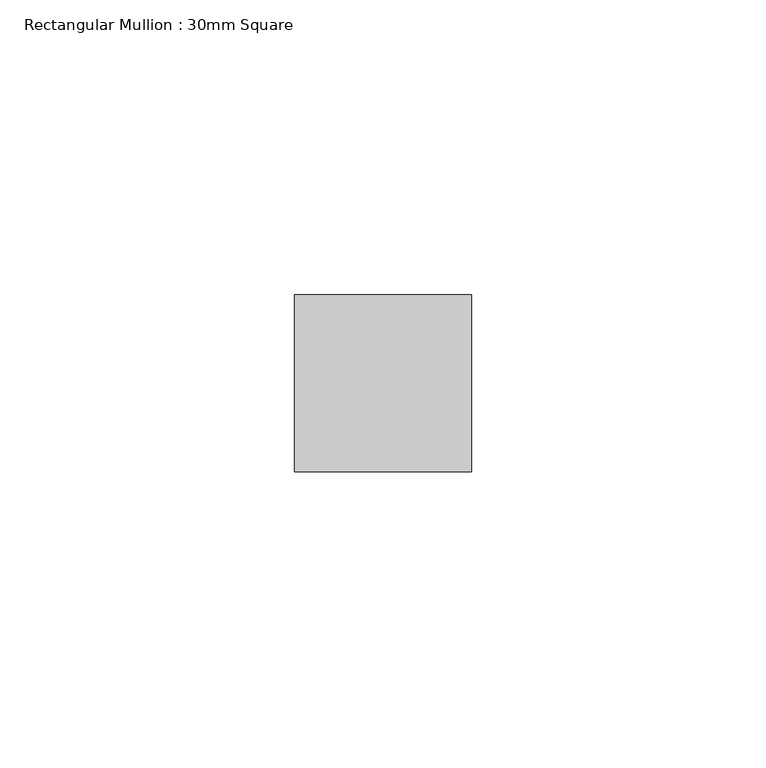
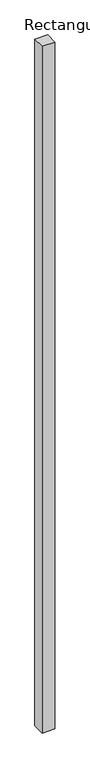
"""IFC4 building model written with IfcOpenShell, lengths in millimetres: member geometry, Rectangular Mullion : 30mm Square."""

from ifc_helpers import new_model, si_unit, frame, origin, place, context, project, spatial, polyline, outline, extrude, source, transform, mapped, element, save


def rectangular_mullion_30mm_square_6184fa29(model_context):
    return source(origin(), model_context, "Body", "SweptSolid", [
        extrude(outline(polyline([(15.0, 15.0), (15.0, -15.0), (-15.0, -15.0), (-15.0, 15.0), (15.0, 15.0)])), frame((0.0, 0.0, -1710.0115453), z_axis=(0.0, 0.0, 1.0), x_axis=(1.0, 0.0, 0.0)), (0.0, 0.0, 1.0), 1710.0115453),
    ])


if __name__ == "__main__":
    model = new_model("IFC4")
    model_context = context("Model", 3, world=origin())
    ifc_project = project(units=[si_unit("LENGTHUNIT", "METRE", prefix="MILLI")], contexts=[model_context])
    site = spatial("IfcSite", under=ifc_project)
    building = spatial("IfcBuilding", under=site)
    placement = place(None, origin())
    rectangular_mullion_30mm_square_shape = rectangular_mullion_30mm_square_6184fa29(model_context)
    element("IfcMember", 1, ObjectType="Rectangular Mullion : 30mm Square", at=placement, inside=building, context=model_context, shape_type="MappedRepresentation", body=[
        mapped(rectangular_mullion_30mm_square_shape, transform((0.0, 0.0, 0.0), x_axis=(1.0, 0.0, 0.0), y_axis=(0.0, 1.0, 0.0), z_axis=(0.0, 0.0, 1.0))),
    ])
    save(model, "model.ifc")
